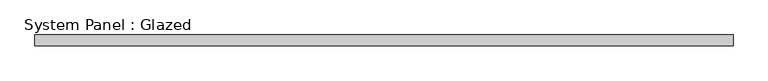
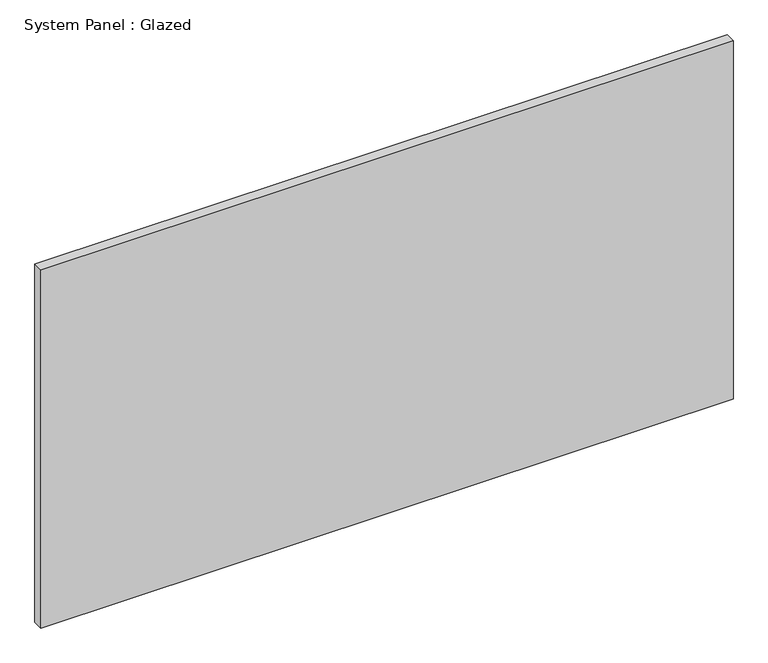
"""IFC4 building model written with IfcOpenShell, lengths in millimetres: plate geometry, System Panel : Glazed."""

import ifcopenshell
import ifcopenshell.guid

model = None  # the IFC model being written
_history = None  # IfcOwnerHistory: only IFC2X3 demands one
_inside = {}  # id of a spatial element -> (the spatial element, [elements in it])
_under = {}  # id of a project, library or spatial element -> (it, [spatial elements below it])
_declared = {}  # id of a project -> (the project, [libraries it declares])
_typed = {}  # id of a type object -> (the type object, [elements of that type])
_made_of = {}  # id of a material, layer set ... -> (it, [elements and type objects made of it])


def new_model(schema):
    """Start an empty IFC model of exactly this schema.

    Asked for "IFC4X3", IfcOpenShell would pick the latest addendum, in which some entities
    have other attributes; the version numbers below select the first issue.
    IFC2X3 requires an IfcOwnerHistory on every rooted entity: one is made here for all.
    """
    global model, _history
    if schema == "IFC4X3":
        model = ifcopenshell.file(schema_version=(4, 3, 0, 0))
    else:
        model = ifcopenshell.file(schema=schema)
    _inside.clear()
    _under.clear()
    _declared.clear()
    _typed.clear()
    _made_of.clear()
    _history = None
    if model.schema == "IFC2X3":
        org = make("IfcOrganization", Name="unknown")
        user = make(
            "IfcPersonAndOrganization",
            ThePerson=make("IfcPerson", FamilyName="unknown"),
            TheOrganization=org,
        )
        app = make(
            "IfcApplication",
            ApplicationDeveloper=org,
            Version="unknown",
            ApplicationFullName="unknown",
            ApplicationIdentifier="unknown",
        )
        _history = make(
            "IfcOwnerHistory",
            OwningUser=user,
            OwningApplication=app,
            ChangeAction="ADDED",
            CreationDate=0,
        )
    return model


def make(cls, **values):
    """One entity of the class cls with the attributes given. An attribute that is None is left unset."""
    return model.create_entity(
        cls, **{name: value for name, value in values.items() if value is not None}
    )


def rooted(cls, **values):
    """An entity with a GlobalId (a new one), such as an element, a storey or a relation."""
    return make(cls, GlobalId=ifcopenshell.guid.new(), OwnerHistory=_history, **values)


def si_unit(unit_type, name, prefix=None):
    """IfcSIUnit, for example si_unit("LENGTHUNIT", "METRE", prefix="MILLI")."""
    return make("IfcSIUnit", UnitType=unit_type, Prefix=prefix, Name=name)


def assignment(units):
    """IfcUnitAssignment: the units of a project."""
    return None if units is None else make("IfcUnitAssignment", Units=units)


def point(xyz):
    """IfcCartesianPoint."""
    return None if xyz is None else make("IfcCartesianPoint", Coordinates=xyz)


def direction(xyz):
    """IfcDirection."""
    return None if xyz is None else make("IfcDirection", DirectionRatios=xyz)


def frame(location, z_axis=None, x_axis=None):
    """IfcAxis2Placement3D, a coordinate frame: its origin and axes. An axis left out is left unset."""
    return make(
        "IfcAxis2Placement3D",
        Location=point(location),
        Axis=direction(z_axis),
        RefDirection=direction(x_axis),
    )


def origin():
    """The frame at (0, 0, 0) with its axes left unset."""
    return frame((0.0, 0.0, 0.0))


def origin_with_axes():
    """The frame at (0, 0, 0) with the z axis (0, 0, 1) and the x axis (1, 0, 0) written out."""
    return frame((0.0, 0.0, 0.0), z_axis=(0.0, 0.0, 1.0), x_axis=(1.0, 0.0, 0.0))


def place(relative_to, where):
    """IfcLocalPlacement: puts the frame where relative to a parent placement (None: the world)."""
    return make(
        "IfcLocalPlacement", PlacementRelTo=relative_to, RelativePlacement=where
    )


def context(
    kind, dimensions, precision=None, world=None, true_north=None, identifier=None
):
    """IfcGeometricRepresentationContext, for example the 3D "Model" context."""
    return make(
        "IfcGeometricRepresentationContext",
        ContextIdentifier=identifier,
        ContextType=kind,
        CoordinateSpaceDimension=dimensions,
        Precision=precision,
        WorldCoordinateSystem=world,
        TrueNorth=true_north,
    )


def project(units=None, contexts=None):
    """IfcProject with its units and contexts."""
    return rooted(
        "IfcProject",
        Name="project",
        RepresentationContexts=contexts,
        UnitsInContext=assignment(units),
    )


def spatial(cls, under=None, at=None, **own):
    """A site, building, storey or space (cls), placed at a placement, below another one or the project."""
    s = rooted(cls, ObjectPlacement=at, **own)
    if under is not None:
        _under.setdefault(under.id(), (under, []))[1].append(s)
    return s


def polyline(points):
    """IfcPolyline through the points."""
    return make("IfcPolyline", Points=[point(p) for p in points])


def outline(outer, holes=None, kind="AREA"):
    """IfcArbitraryClosedProfileDef: a profile drawn as a closed curve; with holes, ...WithVoids."""
    if holes is None:
        return make("IfcArbitraryClosedProfileDef", ProfileType=kind, OuterCurve=outer)
    return make(
        "IfcArbitraryProfileDefWithVoids",
        ProfileType=kind,
        OuterCurve=outer,
        InnerCurves=holes,
    )


def extrude(swept, where, along, depth):
    """IfcExtrudedAreaSolid: the profile swept, set in the frame where, extruded along a direction by depth."""
    return make(
        "IfcExtrudedAreaSolid",
        SweptArea=swept,
        Position=where,
        ExtrudedDirection=direction(along),
        Depth=depth,
    )


def shape(context_of_items, identifier, shape_type, items):
    """IfcShapeRepresentation: the items that make up one representation, for example the "Body"."""
    return make(
        "IfcShapeRepresentation",
        ContextOfItems=context_of_items,
        RepresentationIdentifier=identifier,
        RepresentationType=shape_type,
        Items=items,
    )


def source(mapping_origin, context_of_items, identifier, shape_type, items):
    """IfcRepresentationMap: a shape defined once, which mapped items show again and again."""
    return make(
        "IfcRepresentationMap",
        MappingOrigin=mapping_origin,
        MappedRepresentation=shape(context_of_items, identifier, shape_type, items),
    )


def transform(
    local_origin,
    x_axis=None,
    y_axis=None,
    z_axis=None,
    scale=None,
    scale2=None,
    scale3=None,
    uniform=True,
):
    """IfcCartesianTransformationOperator3D, or its non-uniform kind. x_axis, y_axis, z_axis: its Axis1, 2, 3."""
    if uniform:
        return make(
            "IfcCartesianTransformationOperator3D",
            Axis1=direction(x_axis),
            Axis2=direction(y_axis),
            LocalOrigin=point(local_origin),
            Scale=scale,
            Axis3=direction(z_axis),
        )
    return make(
        "IfcCartesianTransformationOperator3DnonUniform",
        Axis1=direction(x_axis),
        Axis2=direction(y_axis),
        LocalOrigin=point(local_origin),
        Scale=scale,
        Axis3=direction(z_axis),
        Scale2=scale2,
        Scale3=scale3,
    )


def mapped(mapping_source, mapping_target):
    """IfcMappedItem: shows the shape of a source again, moved by a transform."""
    return make(
        "IfcMappedItem", MappingSource=mapping_source, MappingTarget=mapping_target
    )


def made_of(thing, what):
    """Note that an element or type object is made of a material, layer set ...; save() writes the relation."""
    if what is not None:
        _made_of.setdefault(what.id(), (what, []))[1].append(thing)
    return thing


def element(
    cls,
    number,
    at=None,
    inside=None,
    cuts=None,
    type_object=None,
    material=None,
    context=None,
    identifier="Body",
    shape_type=None,
    held_by="IfcProductDefinitionShape",
    body=None,
    shapes=None,
    **own,
):
    """One element of the class cls, such as IfcWall. Its Tag is "e" and its number.

    at: its placement. inside: the storey or other place that contains it. cuts: it is an
    opening in that element (IfcRelVoidsElement). A single representation is given by context,
    identifier, shape_type and body (its items); several are given by shapes. held_by: the class
    of the entity that holds the representations. save() writes the other relations.
    """
    e = rooted(cls, Tag="e%d" % number, ObjectPlacement=at, **own)
    if body is not None:
        shapes = [shape(context, identifier, shape_type, body)]
    if shapes is not None:
        e.Representation = make(held_by, Representations=shapes)
    if inside is not None:
        _inside.setdefault(inside.id(), (inside, []))[1].append(e)
    if cuts is not None:
        rooted(
            "IfcRelVoidsElement", RelatingBuildingElement=cuts, RelatedOpeningElement=e
        )
    if type_object is not None:
        _typed.setdefault(type_object.id(), (type_object, []))[1].append(e)
    return made_of(e, material)


def aggregate(whole, parts):
    """IfcRelAggregates: a whole, such as a stair, and the parts it consists of."""
    return rooted("IfcRelAggregates", RelatingObject=whole, RelatedObjects=parts)


def save(model, path):
    """Write the relations noted so far, then the file.

    IfcRelAggregates (storeys below a building ...), IfcRelContainedInSpatialStructure (elements
    in a storey), IfcRelDefinesByType, IfcRelAssociatesMaterial and IfcRelDeclares: one each for
    every whole, place, type object, material and project.
    """
    for whole, parts in _under.values():
        aggregate(whole, parts)
    for where, things in _inside.values():
        rooted(
            "IfcRelContainedInSpatialStructure",
            RelatedElements=things,
            RelatingStructure=where,
        )
    for kind, things in _typed.values():
        rooted("IfcRelDefinesByType", RelatedObjects=things, RelatingType=kind)
    for what, things in _made_of.values():
        rooted("IfcRelAssociatesMaterial", RelatedObjects=things, RelatingMaterial=what)
    for by, libraries in _declared.values():
        rooted("IfcRelDeclares", RelatingContext=by, RelatedDefinitions=libraries)
    model.write(path)


def system_panel_glazed_8f032535(model_context):
    return source(origin(), model_context, "Body", "SweptSolid", [
        extrude(outline(polyline([(835.0413663, 19.05), (-835.0413663, 19.05), (-835.0413663, 44.45), (835.0413663, 44.45), (835.0413663, 19.05)])), origin_with_axes(), (0.0, 0.0, 1.0), 914.4),
    ])


if __name__ == "__main__":
    model = new_model("IFC4")
    model_context = context("Model", 3, world=origin())
    ifc_project = project(units=[si_unit("LENGTHUNIT", "METRE", prefix="MILLI")], contexts=[model_context])
    site = spatial("IfcSite", under=ifc_project)
    building = spatial("IfcBuilding", under=site)
    placement = place(None, origin())
    system_panel_glazed_shape = system_panel_glazed_8f032535(model_context)
    element("IfcPlate", 1, ObjectType="System Panel : Glazed", at=placement, inside=building, context=model_context, shape_type="MappedRepresentation", body=[
        mapped(system_panel_glazed_shape, transform((0.0, 0.0, 0.0), x_axis=(1.0, 0.0, 0.0), y_axis=(0.0, 1.0, 0.0), z_axis=(0.0, 0.0, 1.0))),
    ])
    save(model, "model.ifc")
